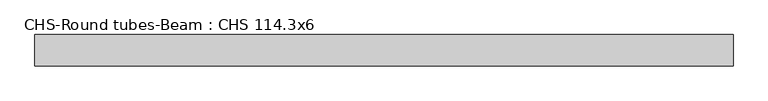
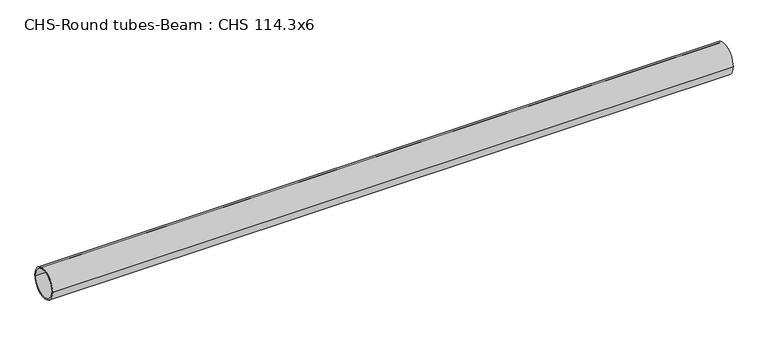
"""IFC4 building model written with IfcOpenShell, lengths in millimetres: beam geometry, CHS-Round tubes-Beam : CHS 114.3x6."""

from ifc_helpers import new_model, si_unit, point, frame, origin, origin_2d, place, context, project, spatial, circle_curve, trimmed, segment, composite_curve, outline, extrude, source, transform, mapped, element, save


def chs_round_tubes_beam_chs_114_3x6_fef229d3(model_context):
    return source(origin(), model_context, "Body", "SweptSolid", [
        extrude(outline(composite_curve([segment(trimmed(circle_curve(origin_2d(), 57.15), [point((57.15, 0.0))], [point((-57.15, 0.0))], False, "CARTESIAN"), True, "CONTINUOUS"), segment(trimmed(circle_curve(origin_2d(), 57.15), [point((-57.15, 0.0))], [point((57.15, 0.0))], False, "CARTESIAN"), True, "CONTINUOUS")], self_intersect=False), holes=[composite_curve([segment(trimmed(circle_curve(origin_2d(), 51.15), [point((51.15, 0.0))], [point((-51.15, 0.0))], True, "CARTESIAN"), True, "CONTINUOUS"), segment(trimmed(circle_curve(origin_2d(), 51.15), [point((-51.15, 0.0))], [point((51.15, 0.0))], True, "CARTESIAN"), True, "CONTINUOUS")], self_intersect=False)]), frame((-1113.8700037, 0.0, 0.0), z_axis=(1.0, 0.0, 0.0), x_axis=(0.0, 1.0, 0.0)), (0.0, 0.0, 1.0), 2550.1338089),
    ])


if __name__ == "__main__":
    model = new_model("IFC4")
    model_context = context("Model", 3, world=origin())
    ifc_project = project(units=[si_unit("LENGTHUNIT", "METRE", prefix="MILLI")], contexts=[model_context])
    site = spatial("IfcSite", under=ifc_project)
    building = spatial("IfcBuilding", under=site)
    placement = place(None, origin())
    chs_round_tubes_beam_chs_114_3x6_shape = chs_round_tubes_beam_chs_114_3x6_fef229d3(model_context)
    element("IfcBeam", 1, ObjectType="CHS-Round tubes-Beam : CHS 114.3x6", at=placement, inside=building, context=model_context, shape_type="MappedRepresentation", body=[
        mapped(chs_round_tubes_beam_chs_114_3x6_shape, transform((0.0, 0.0, 0.0), x_axis=(1.0, 0.0, 0.0), y_axis=(0.0, 1.0, 0.0), z_axis=(0.0, 0.0, 1.0))),
    ])
    save(model, "model.ifc")
